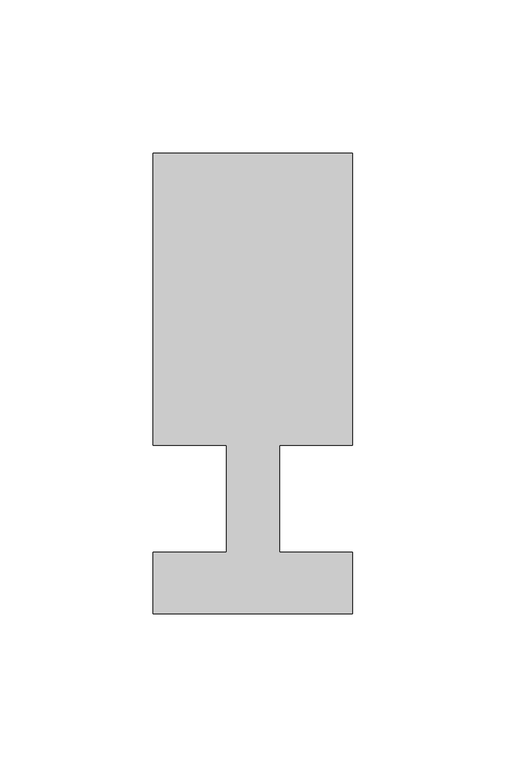
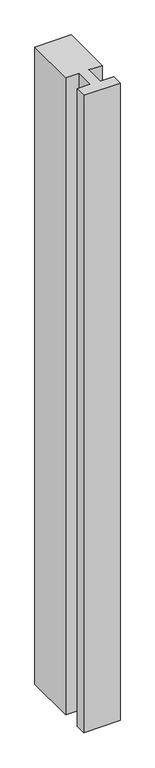
"""IFC4 building model written with IfcOpenShell, lengths in millimetres: member geometry."""

from ifc_helpers import new_model, si_unit, frame, origin, place, context, project, spatial, polyline, outline, extrude, source, transform, mapped, element, save


def member_98a1d29e(model_context):
    return source(origin(), model_context, "Body", "SweptSolid", [
        extrude(outline(polyline([(-65.0, -37.0), (-65.0, -17.0), (-41.1875, -17.0), (-41.1875, 18.0), (-65.0, 18.0), (-65.0, 113.0), (0.0, 113.0), (0.0, 18.0), (-23.8125, 18.0), (-23.8125, -17.0), (0.0, -17.0), (0.0, -37.0), (-65.0, -37.0)])), frame((0.0, 0.0, -1200.0), z_axis=(0.0, 0.0, 1.0), x_axis=(1.0, 0.0, 0.0)), (0.0, 0.0, 1.0), 1200.0),
    ])


if __name__ == "__main__":
    model = new_model("IFC4")
    model_context = context("Model", 3, world=origin())
    ifc_project = project(units=[si_unit("LENGTHUNIT", "METRE", prefix="MILLI")], contexts=[model_context])
    site = spatial("IfcSite", under=ifc_project)
    building = spatial("IfcBuilding", under=site)
    placement = place(None, origin())
    member_shape = member_98a1d29e(model_context)
    element("IfcMember", 1, at=placement, inside=building, context=model_context, shape_type="MappedRepresentation", body=[
        mapped(member_shape, transform((0.0, 0.0, 0.0), x_axis=(1.0, 0.0, 0.0), y_axis=(0.0, 1.0, 0.0), z_axis=(0.0, 0.0, 1.0))),
    ])
    save(model, "model.ifc")
